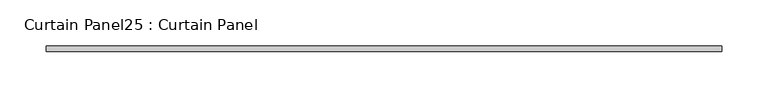
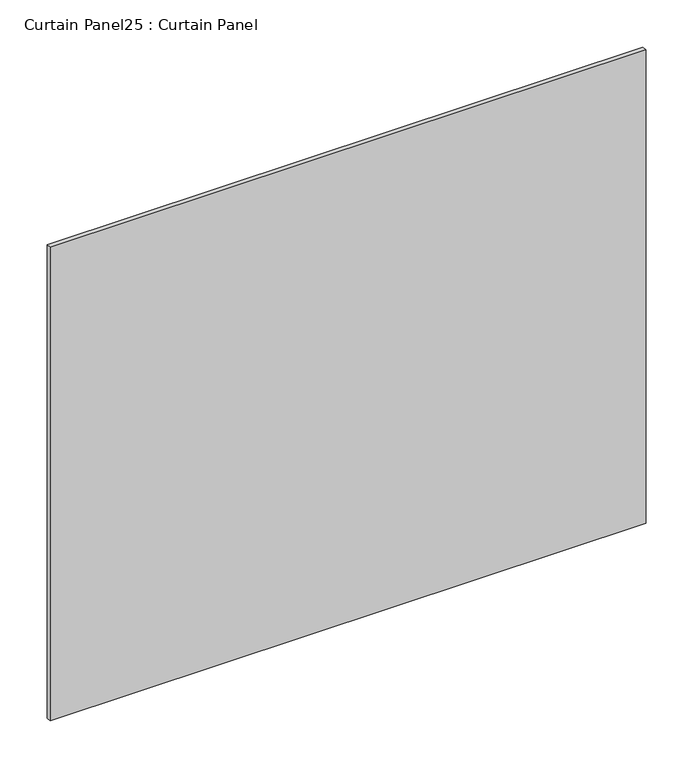
"""IFC4 building model written with IfcOpenShell, lengths in millimetres: plate geometry, Curtain Panel25 : Curtain Panel."""

from ifc_helpers import new_model, si_unit, frame, origin, place, context, project, spatial, polyline, outline, extrude, source, transform, mapped, element, save


def curtain_panel25_curtain_panel_ca2dc6b5(model_context):
    return source(origin(), model_context, "Body", "SweptSolid", [
        extrude(outline(polyline([(3227.8627701, 3568.3617926), (2495.4959131, 3568.3617926), (2495.4959131, 3574.7117926), (3227.8627701, 3574.7117926), (3227.8627701, 3568.3617926)])), frame((0.0, 0.0, 39.798625), z_axis=(0.0, 0.0, 1.0), x_axis=(1.0, 0.0, 0.0)), (0.0, 0.0, 1.0), 614.6694167),
    ])


if __name__ == "__main__":
    model = new_model("IFC4")
    model_context = context("Model", 3, world=origin())
    ifc_project = project(units=[si_unit("LENGTHUNIT", "METRE", prefix="MILLI")], contexts=[model_context])
    site = spatial("IfcSite", under=ifc_project)
    building = spatial("IfcBuilding", under=site)
    placement = place(None, origin())
    curtain_panel25_curtain_panel_shape = curtain_panel25_curtain_panel_ca2dc6b5(model_context)
    element("IfcPlate", 1, ObjectType="Curtain Panel25 : Curtain Panel", at=placement, inside=building, context=model_context, shape_type="MappedRepresentation", body=[
        mapped(curtain_panel25_curtain_panel_shape, transform((0.0, 0.0, 0.0), x_axis=(1.0, 0.0, 0.0), y_axis=(0.0, 1.0, 0.0), z_axis=(0.0, 0.0, 1.0))),
    ])
    save(model, "model.ifc")
